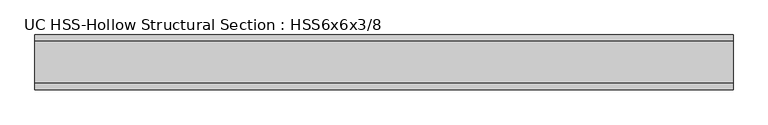
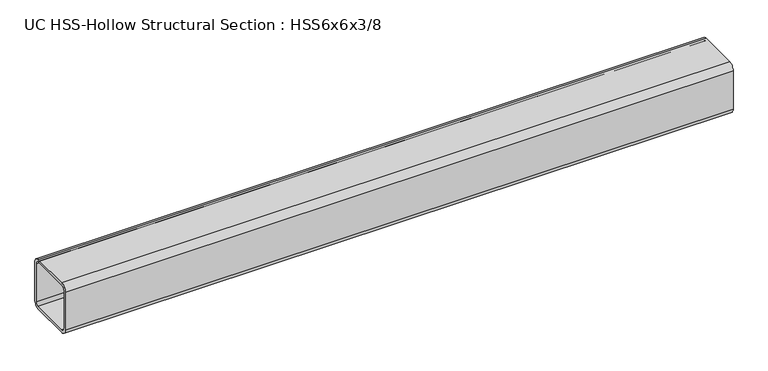
"""IFC4 building model written with IfcOpenShell, lengths in millimetres: beam geometry, UC HSS-Hollow Structural Section : HSS6x6x3/8."""

from ifc_helpers import new_model, si_unit, point, frame, frame_2d, origin, place, context, project, spatial, polyline, circle_curve, trimmed, segment, composite_curve, outline, extrude, source, transform, mapped, element, save


def uc_hss_hollow_structural_section_hss6x6x3_8_d052e372(model_context):
    return source(origin(), model_context, "Body", "SweptSolid", [
        extrude(outline(composite_curve([segment(trimmed(circle_curve(frame_2d((-58.4708, 58.4708)), 17.7292), [point((-76.2, 58.4708))], [point((-58.4708, 76.2))], False, "CARTESIAN"), True, "CONTINUOUS"), segment(polyline([(-58.4708, 76.2), (58.4708, 76.2)]), True, "CONTINUOUS"), segment(trimmed(circle_curve(frame_2d((58.4708, 58.4708)), 17.7292), [point((58.4708, 76.2))], [point((76.2, 58.4708))], False, "CARTESIAN"), True, "CONTINUOUS"), segment(polyline([(76.2, 58.4708), (76.2, -58.4708)]), True, "CONTINUOUS"), segment(trimmed(circle_curve(frame_2d((58.4708, -58.4708)), 17.7292), [point((76.2, -58.4708))], [point((58.4708, -76.2))], False, "CARTESIAN"), True, "CONTINUOUS"), segment(polyline([(58.4708, -76.2), (-58.4708, -76.2)]), True, "CONTINUOUS"), segment(trimmed(circle_curve(frame_2d((-58.4708, -58.4708)), 17.7292), [point((-58.4708, -76.2))], [point((-76.2, -58.4708))], False, "CARTESIAN"), True, "CONTINUOUS"), segment(polyline([(-76.2, -58.4708), (-76.2, 58.4708)]), True, "CONTINUOUS")], self_intersect=False), holes=[composite_curve([segment(polyline([(58.4708, 67.3354), (-58.4708, 67.3354)]), True, "CONTINUOUS"), segment(trimmed(circle_curve(frame_2d((-58.4708, 58.4708)), 8.8646), [point((-58.4708, 67.3354))], [point((-67.3354, 58.4708))], True, "CARTESIAN"), True, "CONTINUOUS"), segment(polyline([(-67.3354, 58.4708), (-67.3354, -58.4708)]), True, "CONTINUOUS"), segment(trimmed(circle_curve(frame_2d((-58.4708, -58.4708)), 8.8646), [point((-67.3354, -58.4708))], [point((-58.4708, -67.3354))], True, "CARTESIAN"), True, "CONTINUOUS"), segment(polyline([(-58.4708, -67.3354), (58.4708, -67.3354)]), True, "CONTINUOUS"), segment(trimmed(circle_curve(frame_2d((58.4708, -58.4708)), 8.8646), [point((58.4708, -67.3354))], [point((67.3354, -58.4708))], True, "CARTESIAN"), True, "CONTINUOUS"), segment(polyline([(67.3354, -58.4708), (67.3354, 58.4708)]), True, "CONTINUOUS"), segment(trimmed(circle_curve(frame_2d((58.4708, 58.4708)), 8.8646), [point((67.3354, 58.4708))], [point((58.4708, 67.3354))], True, "CARTESIAN"), True, "CONTINUOUS")], self_intersect=False)]), frame((-901.5677574, 0.0, 0.0), z_axis=(1.0, 0.0, 0.0), x_axis=(0.0, 1.0, 0.0)), (0.0, 0.0, 1.0), 1935.4688266),
    ])


if __name__ == "__main__":
    model = new_model("IFC4")
    model_context = context("Model", 3, world=origin())
    ifc_project = project(units=[si_unit("LENGTHUNIT", "METRE", prefix="MILLI")], contexts=[model_context])
    site = spatial("IfcSite", under=ifc_project)
    building = spatial("IfcBuilding", under=site)
    placement = place(None, origin())
    uc_hss_hollow_structural_section_hss6x6x3_8_shape = uc_hss_hollow_structural_section_hss6x6x3_8_d052e372(model_context)
    element("IfcBeam", 1, ObjectType="UC HSS-Hollow Structural Section : HSS6x6x3/8", at=placement, inside=building, context=model_context, shape_type="MappedRepresentation", body=[
        mapped(uc_hss_hollow_structural_section_hss6x6x3_8_shape, transform((0.0, 0.0, 0.0), x_axis=(1.0, 0.0, 0.0), y_axis=(0.0, 1.0, 0.0), z_axis=(0.0, 0.0, 1.0))),
    ])
    save(model, "model.ifc")
